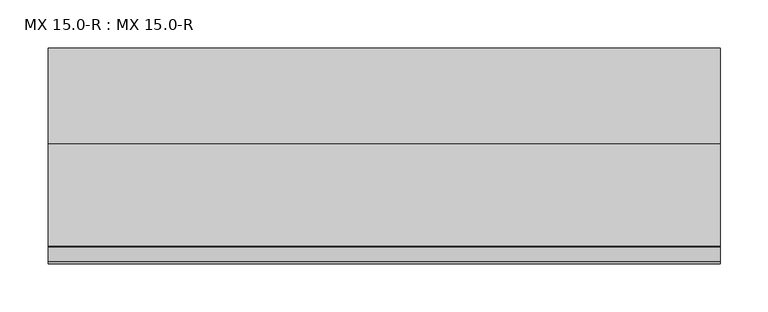
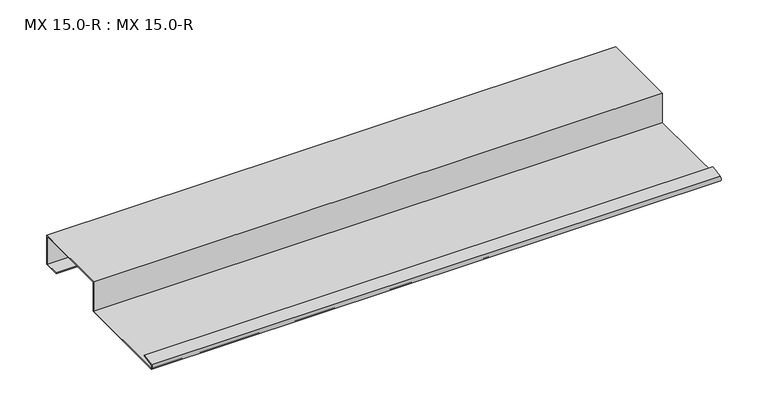
"""IFC4 building model written with IfcOpenShell, lengths in millimetres: proxy geometry, MX 15.0-R : MX 15.0-R."""

from ifc_helpers import new_model, si_unit, point, frame, frame_2d, origin, place, context, project, spatial, polyline, circle_curve, trimmed, segment, composite_curve, outline, extrude, source, transform, mapped, element, save


def mx_15_0_r_mx_15_0_r_5a312c3a(model_context):
    return source(origin(), model_context, "Body", "SweptSolid", [
        extrude(outline(composite_curve([segment(polyline([(-223.163909, 5.2131944), (-207.4140687, 8.2359048), (-207.1307182, 7.2866995), (-222.807341, 4.278041)]), True, "CONTINUOUS"), segment(trimmed(circle_curve(frame_2d((-221.9419644, 2.4153551)), 2.0538928), [point((-222.807341, 4.278041))], [point((-222.6835104, 0.5))], True, "CARTESIAN"), True, "CONTINUOUS"), segment(polyline([(-222.6835104, 0.5), (-100.0, 0.5), (-100.0, 38.5), (0.0, 38.5), (0.0, 0.5), (-20.0, 0.5), (-20.0, 1.5), (-1.0, 1.5), (-1.0, 37.5), (-99.0, 37.5), (-99.0, -0.5), (-222.7963586, -0.5)]), True, "CONTINUOUS"), segment(trimmed(circle_curve(frame_2d((-221.9700946, 2.4215767)), 3.0361691), [point((-222.7963586, -0.5))], [point((-223.163909, 5.2131944))], False, "CARTESIAN"), True, "CONTINUOUS")], self_intersect=False)), frame((0.0, 0.0, 0.0), z_axis=(1.0, 0.0, 0.0), x_axis=(0.0, 1.0, 0.0)), (0.0, 0.0, 1.0), 700.0),
    ])


if __name__ == "__main__":
    model = new_model("IFC4")
    model_context = context("Model", 3, world=origin())
    ifc_project = project(units=[si_unit("LENGTHUNIT", "METRE", prefix="MILLI")], contexts=[model_context])
    site = spatial("IfcSite", under=ifc_project)
    building = spatial("IfcBuilding", under=site)
    placement = place(None, origin())
    mx_15_0_r_mx_15_0_r_shape = mx_15_0_r_mx_15_0_r_5a312c3a(model_context)
    element("IfcBuildingElementProxy", 1, Name="MX 15.0-R : MX 15.0-R", ObjectType="MX 15.0-R : MX 15.0-R", at=placement, inside=building, context=model_context, shape_type="MappedRepresentation", body=[
        mapped(mx_15_0_r_mx_15_0_r_shape, transform((0.0, 0.0, 0.0), x_axis=(1.0, 0.0, 0.0), y_axis=(0.0, 1.0, 0.0), z_axis=(0.0, 0.0, 1.0))),
    ])
    save(model, "model.ifc")
